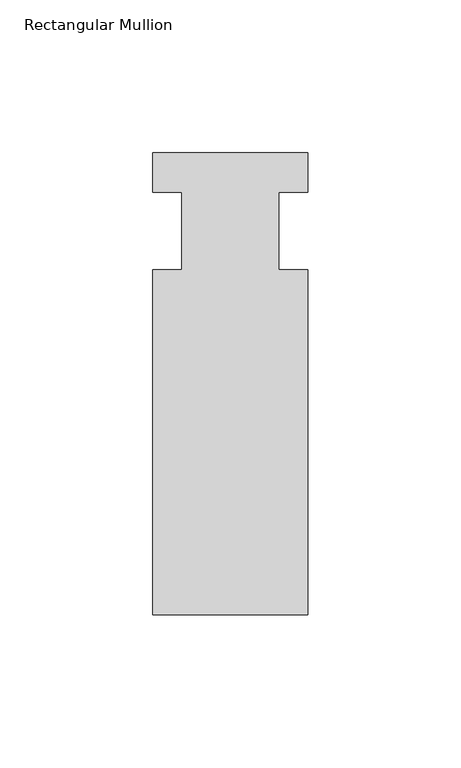
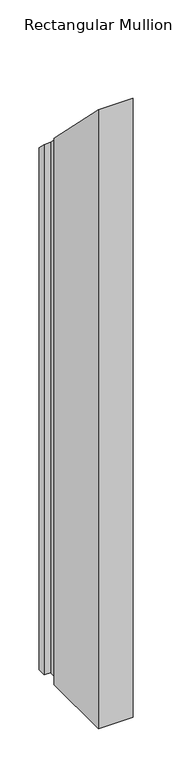
"""IFC4 building model written with IfcOpenShell, lengths in millimetres: member geometry, Rectangular Mullion."""

from ifc_helpers import new_model, si_unit, origin, place, context, project, spatial, faceted_brep, source, transform, mapped, element, save


def rectangular_mullion_1788abe6(model_context):
    return source(origin(), model_context, "Body", "Brep", [
        faceted_brep([(-25.4, 25.5984375, -838.2), (25.4, 25.5984375, -838.2), (25.4, 12.7, -838.2), (15.875, 12.7, -838.2), (15.875, -12.7, -838.2), (25.4, -12.7, -838.2), (25.4, -125.6109375, -838.2), (-25.4, -125.6109375, -838.2), (-25.4, -12.7, -838.2), (-15.875, -12.7, -838.2), (-15.875, 12.7, -838.2), (-25.4, 12.7, -838.2), (-25.4, 12.7, -12.7), (-25.4, 25.5984375, -25.5984375), (-15.875, 12.7, -12.7), (-15.875, -12.7, 12.7), (-25.4, -12.7, 12.7), (-25.4, -125.6109375, 125.6109375), (25.4, -125.6109375, 125.6109375), (25.4, -12.7, 12.7), (15.875, -12.7, 12.7), (15.875, 12.7, -12.7), (25.4, 12.7, -12.7), (25.4, 25.5984375, -25.5984375)], [[[0, 1, 2, 3, 4, 5, 6, 7, 8, 9, 10, 11]], [[12, 13, 0, 11]], [[14, 12, 11, 10]], [[15, 14, 10, 9]], [[16, 15, 9, 8]], [[17, 16, 8, 7]], [[18, 17, 7, 6]], [[19, 18, 6, 5]], [[20, 19, 5, 4]], [[21, 20, 4, 3]], [[22, 21, 3, 2]], [[23, 22, 2, 1]], [[13, 23, 1, 0]], [[13, 12, 14, 15, 16, 17, 18, 19, 20, 21, 22, 23]]]),
    ])


if __name__ == "__main__":
    model = new_model("IFC4")
    model_context = context("Model", 3, world=origin())
    ifc_project = project(units=[si_unit("LENGTHUNIT", "METRE", prefix="MILLI")], contexts=[model_context])
    site = spatial("IfcSite", under=ifc_project)
    building = spatial("IfcBuilding", under=site)
    placement = place(None, origin())
    rectangular_mullion_shape = rectangular_mullion_1788abe6(model_context)
    element("IfcMember", 1, ObjectType="Rectangular Mullion", at=placement, inside=building, context=model_context, shape_type="MappedRepresentation", body=[
        mapped(rectangular_mullion_shape, transform((0.0, 0.0, 0.0), x_axis=(1.0, 0.0, 0.0), y_axis=(0.0, 1.0, 0.0), z_axis=(0.0, 0.0, 1.0))),
    ])
    save(model, "model.ifc")
